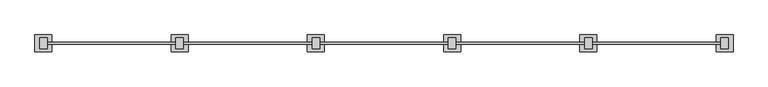
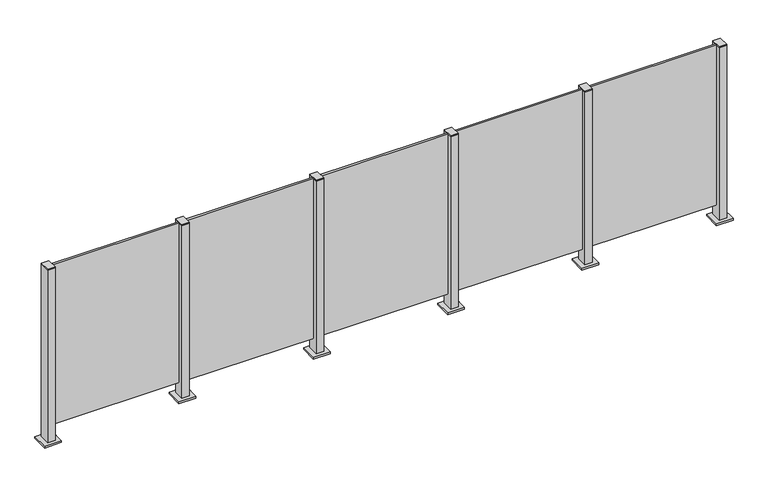
"""IFC4 building model written with IfcOpenShell, lengths in millimetres: railing geometry."""

from ifc_helpers import new_model, si_unit, frame, origin, origin_with_axes, place, context, project, spatial, polyline, outline, extrude, source, transform, mapped, element, save


def railing_409704ef(model_context):
    return source(origin(), model_context, "Body", "SweptSolid", [
        extrude(outline(polyline([(39210.0, 7507.5598727), (39990.0, 7507.5598727), (39990.0, 7494.3598727), (39210.0, 7494.3598727), (39210.0, 7507.5598727)])), frame((0.0, 0.0, 95.0), z_axis=(0.0, 0.0, 1.0), x_axis=(1.0, 0.0, 0.0)), (0.0, 0.0, 1.0), 1005.0),
        extrude(outline(polyline([(39222.5, 7467.6846828), (39177.5, 7467.6846828), (39177.5, 7532.6846828), (39222.5, 7532.6846828), (39222.5, 7467.6846828)])), frame((0.0, 0.0, 1100.0), z_axis=(0.0, 0.0, 1.0), x_axis=(1.0, 0.0, 0.0)), (0.0, 0.0, 1.0), 5.0),
        extrude(outline(polyline([(39250.0, 7450.1846828), (39150.0, 7450.1846828), (39150.0, 7550.1846828), (39250.0, 7550.1846828), (39250.0, 7450.1846828)])), origin_with_axes(), (0.0, 0.0, 1.0), 12.0),
        extrude(outline(polyline([(39222.5, 7467.6846828), (39177.5, 7467.6846828), (39177.5, 7532.6846828), (39222.5, 7532.6846828), (39222.5, 7467.6846828)])), frame((0.0, 0.0, 12.0), z_axis=(0.0, 0.0, 1.0), x_axis=(1.0, 0.0, 0.0)), (0.0, 0.0, 1.0), 1088.0),
        extrude(outline(polyline([(38410.0, 7507.5598727), (39190.0, 7507.5598727), (39190.0, 7494.3598727), (38410.0, 7494.3598727), (38410.0, 7507.5598727)])), frame((0.0, 0.0, 95.0), z_axis=(0.0, 0.0, 1.0), x_axis=(1.0, 0.0, 0.0)), (0.0, 0.0, 1.0), 1005.0),
        extrude(outline(polyline([(38422.5, 7467.6846828), (38377.5, 7467.6846828), (38377.5, 7532.6846828), (38422.5, 7532.6846828), (38422.5, 7467.6846828)])), frame((0.0, 0.0, 1100.0), z_axis=(0.0, 0.0, 1.0), x_axis=(1.0, 0.0, 0.0)), (0.0, 0.0, 1.0), 5.0),
        extrude(outline(polyline([(38450.0, 7450.1846828), (38350.0, 7450.1846828), (38350.0, 7550.1846828), (38450.0, 7550.1846828), (38450.0, 7450.1846828)])), origin_with_axes(), (0.0, 0.0, 1.0), 12.0),
        extrude(outline(polyline([(38422.5, 7467.6846828), (38377.5, 7467.6846828), (38377.5, 7532.6846828), (38422.5, 7532.6846828), (38422.5, 7467.6846828)])), frame((0.0, 0.0, 12.0), z_axis=(0.0, 0.0, 1.0), x_axis=(1.0, 0.0, 0.0)), (0.0, 0.0, 1.0), 1088.0),
        extrude(outline(polyline([(37610.0, 7507.5598727), (38390.0, 7507.5598727), (38390.0, 7494.3598727), (37610.0, 7494.3598727), (37610.0, 7507.5598727)])), frame((0.0, 0.0, 95.0), z_axis=(0.0, 0.0, 1.0), x_axis=(1.0, 0.0, 0.0)), (0.0, 0.0, 1.0), 1005.0),
        extrude(outline(polyline([(37622.5, 7467.6846828), (37577.5, 7467.6846828), (37577.5, 7532.6846828), (37622.5, 7532.6846828), (37622.5, 7467.6846828)])), frame((0.0, 0.0, 1100.0), z_axis=(0.0, 0.0, 1.0), x_axis=(1.0, 0.0, 0.0)), (0.0, 0.0, 1.0), 5.0),
        extrude(outline(polyline([(37650.0, 7450.1846828), (37550.0, 7450.1846828), (37550.0, 7550.1846828), (37650.0, 7550.1846828), (37650.0, 7450.1846828)])), origin_with_axes(), (0.0, 0.0, 1.0), 12.0),
        extrude(outline(polyline([(37622.5, 7467.6846828), (37577.5, 7467.6846828), (37577.5, 7532.6846828), (37622.5, 7532.6846828), (37622.5, 7467.6846828)])), frame((0.0, 0.0, 12.0), z_axis=(0.0, 0.0, 1.0), x_axis=(1.0, 0.0, 0.0)), (0.0, 0.0, 1.0), 1088.0),
        extrude(outline(polyline([(36810.0, 7507.5598727), (37590.0, 7507.5598727), (37590.0, 7494.3598727), (36810.0, 7494.3598727), (36810.0, 7507.5598727)])), frame((0.0, 0.0, 95.0), z_axis=(0.0, 0.0, 1.0), x_axis=(1.0, 0.0, 0.0)), (0.0, 0.0, 1.0), 1005.0),
        extrude(outline(polyline([(36822.5, 7467.6846828), (36777.5, 7467.6846828), (36777.5, 7532.6846828), (36822.5, 7532.6846828), (36822.5, 7467.6846828)])), frame((0.0, 0.0, 1100.0), z_axis=(0.0, 0.0, 1.0), x_axis=(1.0, 0.0, 0.0)), (0.0, 0.0, 1.0), 5.0),
        extrude(outline(polyline([(36850.0, 7450.1846828), (36750.0, 7450.1846828), (36750.0, 7550.1846828), (36850.0, 7550.1846828), (36850.0, 7450.1846828)])), origin_with_axes(), (0.0, 0.0, 1.0), 12.0),
        extrude(outline(polyline([(36822.5, 7467.6846828), (36777.5, 7467.6846828), (36777.5, 7532.6846828), (36822.5, 7532.6846828), (36822.5, 7467.6846828)])), frame((0.0, 0.0, 12.0), z_axis=(0.0, 0.0, 1.0), x_axis=(1.0, 0.0, 0.0)), (0.0, 0.0, 1.0), 1088.0),
        extrude(outline(polyline([(36010.0, 7507.5598727), (36790.0, 7507.5598727), (36790.0, 7494.3598727), (36010.0, 7494.3598727), (36010.0, 7507.5598727)])), frame((0.0, 0.0, 95.0), z_axis=(0.0, 0.0, 1.0), x_axis=(1.0, 0.0, 0.0)), (0.0, 0.0, 1.0), 1005.0),
        extrude(outline(polyline([(40022.5, 7467.6846828), (39977.5, 7467.6846828), (39977.5, 7532.6846828), (40022.5, 7532.6846828), (40022.5, 7467.6846828)])), frame((0.0, 0.0, 1100.0), z_axis=(0.0, 0.0, 1.0), x_axis=(1.0, 0.0, 0.0)), (0.0, 0.0, 1.0), 5.0),
        extrude(outline(polyline([(40050.0, 7450.1846828), (39950.0, 7450.1846828), (39950.0, 7550.1846828), (40050.0, 7550.1846828), (40050.0, 7450.1846828)])), origin_with_axes(), (0.0, 0.0, 1.0), 12.0),
        extrude(outline(polyline([(40022.5, 7467.6846828), (39977.5, 7467.6846828), (39977.5, 7532.6846828), (40022.5, 7532.6846828), (40022.5, 7467.6846828)])), frame((0.0, 0.0, 12.0), z_axis=(0.0, 0.0, 1.0), x_axis=(1.0, 0.0, 0.0)), (0.0, 0.0, 1.0), 1088.0),
        extrude(outline(polyline([(36022.5, 7467.6846828), (35977.5, 7467.6846828), (35977.5, 7532.6846828), (36022.5, 7532.6846828), (36022.5, 7467.6846828)])), frame((0.0, 0.0, 1100.0), z_axis=(0.0, 0.0, 1.0), x_axis=(1.0, 0.0, 0.0)), (0.0, 0.0, 1.0), 5.0),
        extrude(outline(polyline([(36050.0, 7450.1846828), (35950.0, 7450.1846828), (35950.0, 7550.1846828), (36050.0, 7550.1846828), (36050.0, 7450.1846828)])), origin_with_axes(), (0.0, 0.0, 1.0), 12.0),
        extrude(outline(polyline([(36022.5, 7467.6846828), (35977.5, 7467.6846828), (35977.5, 7532.6846828), (36022.5, 7532.6846828), (36022.5, 7467.6846828)])), frame((0.0, 0.0, 12.0), z_axis=(0.0, 0.0, 1.0), x_axis=(1.0, 0.0, 0.0)), (0.0, 0.0, 1.0), 1088.0),
    ])


if __name__ == "__main__":
    model = new_model("IFC4")
    model_context = context("Model", 3, world=origin())
    ifc_project = project(units=[si_unit("LENGTHUNIT", "METRE", prefix="MILLI")], contexts=[model_context])
    site = spatial("IfcSite", under=ifc_project)
    building = spatial("IfcBuilding", under=site)
    placement = place(None, origin())
    railing_shape = railing_409704ef(model_context)
    element("IfcRailing", 1, at=placement, inside=building, context=model_context, shape_type="MappedRepresentation", body=[
        mapped(railing_shape, transform((0.0, 0.0, 0.0), x_axis=(1.0, 0.0, 0.0), y_axis=(0.0, 1.0, 0.0), z_axis=(0.0, 0.0, 1.0))),
    ])
    save(model, "model.ifc")
